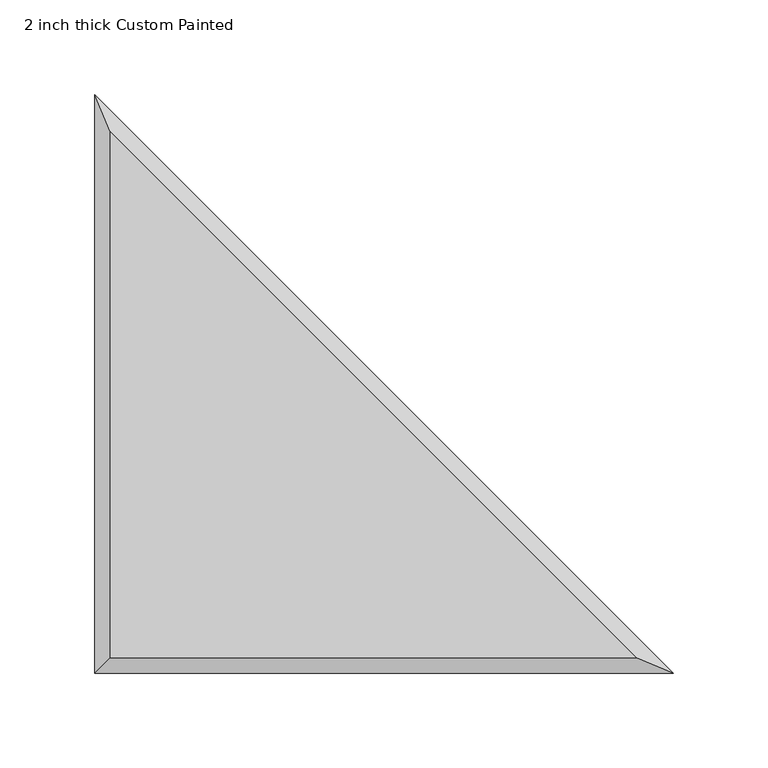
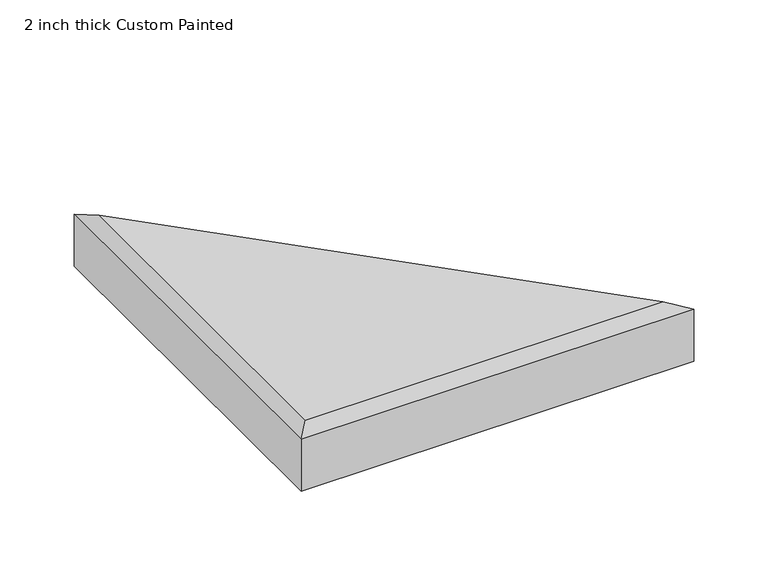
"""IFC4 building model written with IfcOpenShell, lengths in millimetres: proxy geometry, 2 inch thick Custom Painted."""

from ifc_helpers import new_model, si_unit, origin, place, context, project, spatial, faceted_brep, source, transform, mapped, element, save


def proxy_2_inch_thick_custom_painted_67a360da(model_context):
    return source(origin(), model_context, "Body", "Brep", [
        faceted_brep([(8.001, 8.001, 50.8), (285.4838773, 8.001, 50.8), (8.001, 285.4838773, 50.8), (0.0, 304.8, 0.0), (304.8, 0.0, 0.0), (0.0, 0.0, 0.0), (0.0, 0.0, 42.799), (0.0, 304.8, 42.799), (304.8, 0.0, 42.799)], [[[0, 1, 2]], [[3, 4, 5]], [[3, 5, 6, 7]], [[5, 4, 8, 6]], [[4, 3, 7, 8]], [[8, 1, 0, 6]], [[1, 8, 7, 2]], [[6, 0, 2, 7]]]),
    ])


if __name__ == "__main__":
    model = new_model("IFC4")
    model_context = context("Model", 3, world=origin())
    ifc_project = project(units=[si_unit("LENGTHUNIT", "METRE", prefix="MILLI")], contexts=[model_context])
    site = spatial("IfcSite", under=ifc_project)
    building = spatial("IfcBuilding", under=site)
    placement = place(None, origin())
    proxy_2_inch_thick_custom_painted_shape = proxy_2_inch_thick_custom_painted_67a360da(model_context)
    element("IfcBuildingElementProxy", 1, Name="2 inch thick Custom Painted", ObjectType="2 inch thick Custom Painted", at=placement, inside=building, context=model_context, shape_type="MappedRepresentation", body=[
        mapped(proxy_2_inch_thick_custom_painted_shape, transform((0.0, 0.0, 0.0), x_axis=(1.0, 0.0, 0.0), y_axis=(0.0, 1.0, 0.0), z_axis=(0.0, 0.0, 1.0))),
    ])
    save(model, "model.ifc")
